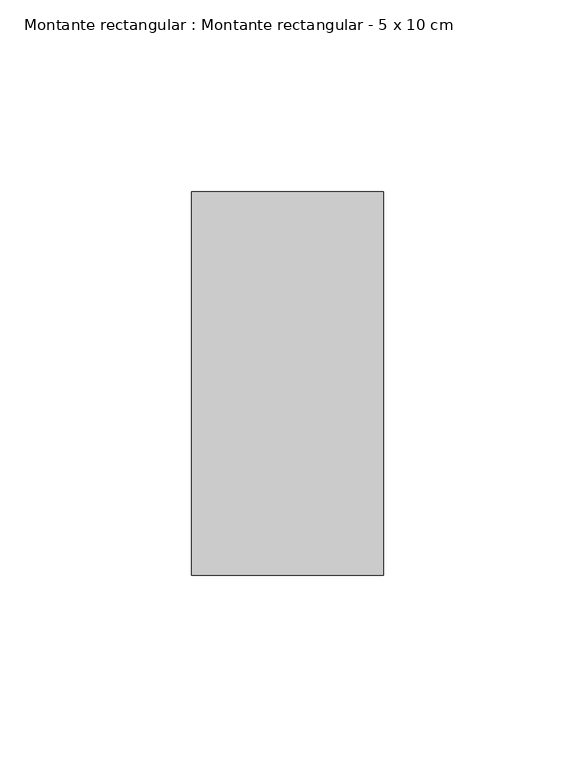
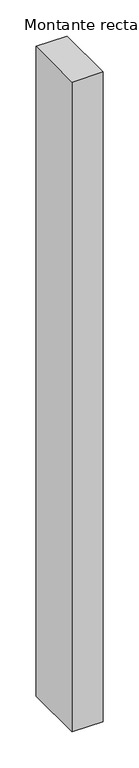
"""IFC4 building model written with IfcOpenShell, lengths in millimetres: member geometry, Montante rectangular : Montante rectangular - 5 x 10 cm."""

from ifc_helpers import new_model, si_unit, frame, origin, place, context, project, spatial, polyline, outline, extrude, source, transform, mapped, element, save


def montante_rectangular_montante_rectangular_5_x_10_cm_92cae3c8(model_context):
    return source(origin(), model_context, "Body", "SweptSolid", [
        extrude(outline(polyline([(0.0, 50.0), (0.0, -50.0), (-50.0, -50.0), (-50.0, 50.0), (0.0, 50.0)])), frame((0.0, 0.0, -1100.0), z_axis=(0.0, 0.0, 1.0), x_axis=(1.0, 0.0, 0.0)), (0.0, 0.0, 1.0), 1100.0),
    ])


if __name__ == "__main__":
    model = new_model("IFC4")
    model_context = context("Model", 3, world=origin())
    ifc_project = project(units=[si_unit("LENGTHUNIT", "METRE", prefix="MILLI")], contexts=[model_context])
    site = spatial("IfcSite", under=ifc_project)
    building = spatial("IfcBuilding", under=site)
    placement = place(None, origin())
    montante_rectangular_montante_rectangular_5_x_10_cm_shape = montante_rectangular_montante_rectangular_5_x_10_cm_92cae3c8(model_context)
    element("IfcMember", 1, ObjectType="Montante rectangular : Montante rectangular - 5 x 10 cm", at=placement, inside=building, context=model_context, shape_type="MappedRepresentation", body=[
        mapped(montante_rectangular_montante_rectangular_5_x_10_cm_shape, transform((0.0, 0.0, 0.0), x_axis=(1.0, 0.0, 0.0), y_axis=(0.0, 1.0, 0.0), z_axis=(0.0, 0.0, 1.0))),
    ])
    save(model, "model.ifc")
